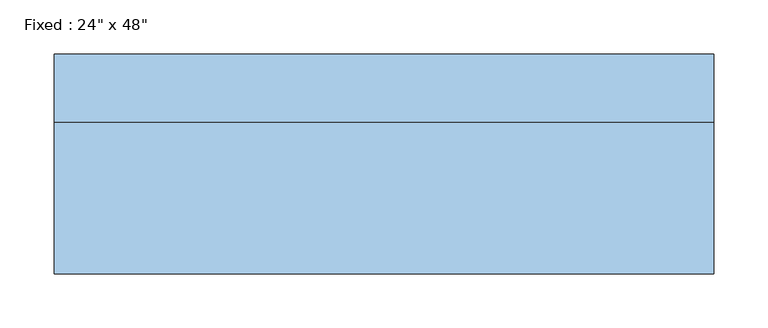
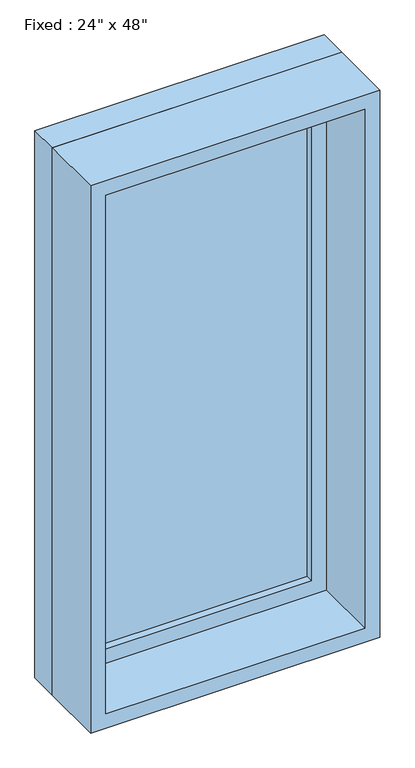
"""IFC4 building model written with IfcOpenShell, lengths in millimetres: window geometry."""

from ifc_helpers import new_model, si_unit, frame, origin, place, context, project, spatial, polyline, outline, extrude, source, transform, mapped, element, save


def window_80bd9af0(model_context):
    return source(origin(), model_context, "Body", "SweptSolid", [
        extrude(outline(polyline([(203.2, 53.975), (-279.4, 53.975), (-279.4, 66.675), (203.2, 66.675), (203.2, 53.975)])), frame((0.0, 0.0, 977.9), z_axis=(0.0, 0.0, 1.0), x_axis=(1.0, 0.0, 0.0)), (0.0, 0.0, 1.0), 1092.2),
        extrude(outline(polyline([(2114.55, -323.85), (933.45, -323.85), (933.45, 247.65), (2114.55, 247.65), (2114.55, -323.85)]), holes=[polyline([(2070.1, -279.4), (2070.1, 203.2), (977.9, 203.2), (977.9, -279.4), (2070.1, -279.4)])]), frame((0.0, 38.1, 0.0), z_axis=(0.0, 1.0, 0.0), x_axis=(0.0, 0.0, 1.0)), (0.0, 0.0, 1.0), 44.45),
        extrude(outline(polyline([(2133.6, -342.9), (914.4, -342.9), (914.4, 266.7), (2133.6, 266.7), (2133.6, -342.9)]), holes=[polyline([(2101.85, -311.15), (2101.85, 234.95), (946.15, 234.95), (946.15, -311.15), (2101.85, -311.15)])]), frame((0.0, -101.6, 0.0), z_axis=(0.0, 1.0, 0.0), x_axis=(0.0, 0.0, 1.0)), (0.0, 0.0, 1.0), 139.7),
        extrude(outline(polyline([(2133.6, 266.7), (2133.6, -342.9), (914.4, -342.9), (914.4, 266.7), (2133.6, 266.7)]), holes=[polyline([(2114.55, 247.65), (933.45, 247.65), (933.45, -323.85), (2114.55, -323.85), (2114.55, 247.65)])]), frame((0.0, 38.1, 0.0), z_axis=(0.0, 1.0, 0.0), x_axis=(0.0, 0.0, 1.0)), (0.0, 0.0, 1.0), 63.5),
    ])


if __name__ == "__main__":
    model = new_model("IFC4")
    model_context = context("Model", 3, world=origin())
    ifc_project = project(units=[si_unit("LENGTHUNIT", "METRE", prefix="MILLI")], contexts=[model_context])
    site = spatial("IfcSite", under=ifc_project)
    building = spatial("IfcBuilding", under=site)
    placement = place(None, origin())
    window_shape = window_80bd9af0(model_context)
    element("IfcWindow", 1, ObjectType="Fixed : 24\" x 48\"", at=placement, inside=building, context=model_context, shape_type="MappedRepresentation", body=[
        mapped(window_shape, transform((0.0, 0.0, 0.0), x_axis=(1.0, 0.0, 0.0), y_axis=(0.0, 1.0, 0.0), z_axis=(0.0, 0.0, 1.0))),
    ])
    save(model, "model.ifc")
